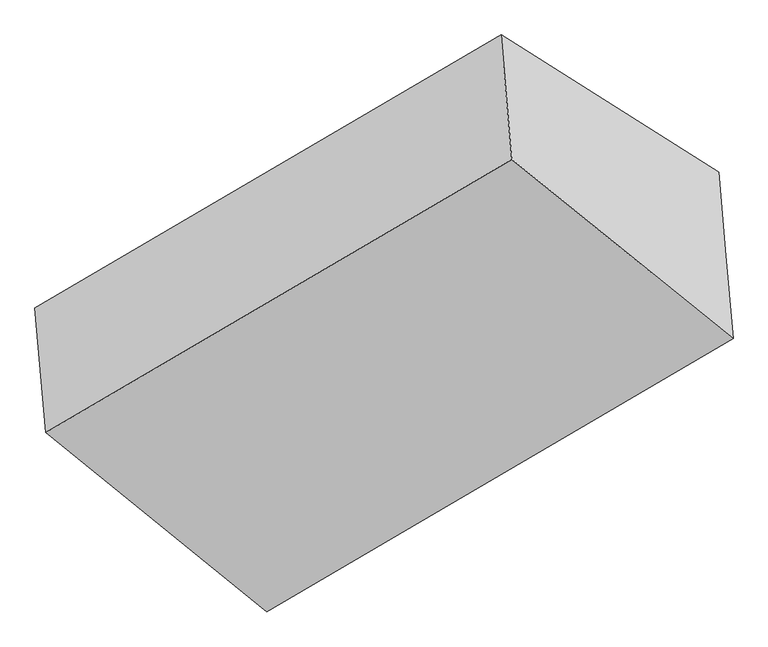
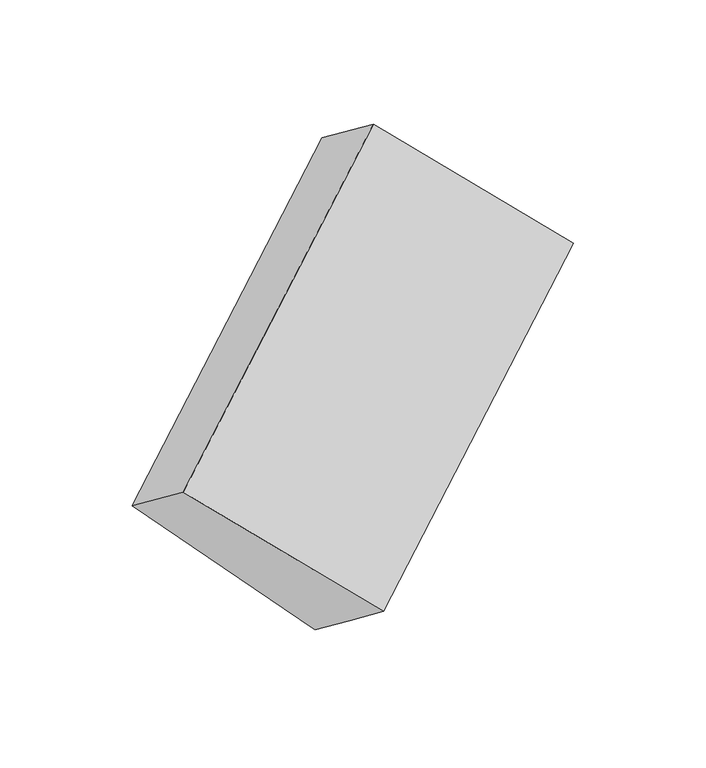
"""IFC4 building model written with IfcOpenShell, lengths in millimetres: proxy geometry."""

from ifc_helpers import new_model, si_unit, origin, place, context, project, spatial, faceted_brep, source, transform, mapped, element, save


def generic_models_b2310758(model_context):
    return source(origin(), model_context, "Body", "Brep", [
        faceted_brep([(-3790.1890921, -1572.4727641, 1603.0157448), (-3758.9802842, -1929.0318285, 1875.3035498), (-2427.0514746, -1148.3838467, 2737.8739717), (-2458.2602825, -791.8247822, 2465.5861668), (-3168.5987147, -1965.2684715, 1017.4075695), (-1836.6699052, -1184.6204897, 1879.9779915), (-3147.7799366, -2203.1219678, 1199.0453761), (-1815.851127, -1422.473986, 2061.6157981), (-3126.9611584, -2440.975464, 1380.6831827), (-1795.0323488, -1660.3274822, 2243.2536047)], [[[0, 1, 2, 3]], [[4, 0, 5]], [[6, 4, 5, 7]], [[8, 6, 7, 9]], [[1, 8, 9, 2]], [[7, 5, 3, 2, 9]], [[1, 0, 4, 6, 8]], [[3, 5, 0]]]),
    ])


if __name__ == "__main__":
    model = new_model("IFC4")
    model_context = context("Model", 3, world=origin())
    ifc_project = project(units=[si_unit("LENGTHUNIT", "METRE", prefix="MILLI")], contexts=[model_context])
    site = spatial("IfcSite", under=ifc_project)
    building = spatial("IfcBuilding", under=site)
    placement = place(None, origin())
    generic_models_shape = generic_models_b2310758(model_context)
    element("IfcBuildingElementProxy", 1, Name="Generic Models", at=placement, inside=building, context=model_context, shape_type="MappedRepresentation", body=[
        mapped(generic_models_shape, transform((0.0, 0.0, 0.0), x_axis=(1.0, 0.0, 0.0), y_axis=(0.0, 1.0, 0.0), z_axis=(0.0, 0.0, 1.0))),
    ])
    save(model, "model.ifc")
